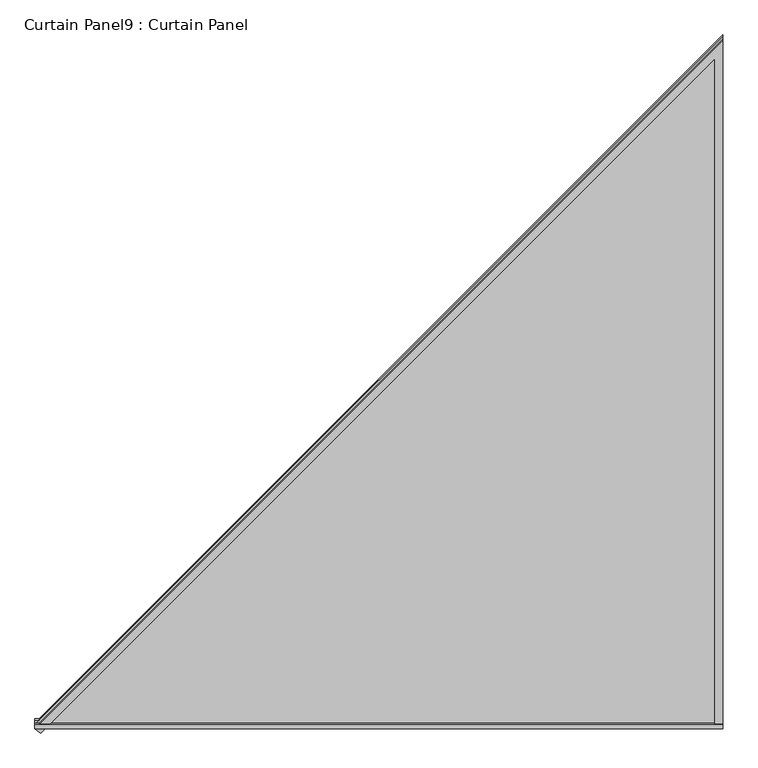
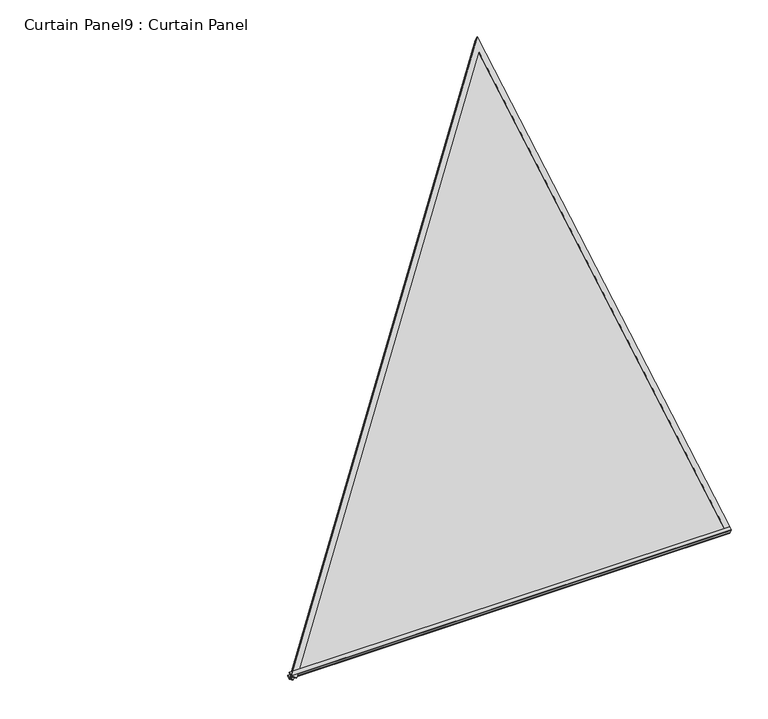
"""IFC4 building model written with IfcOpenShell, lengths in millimetres: plate geometry, Curtain Panel9 : Curtain Panel."""

from ifc_helpers import new_model, si_unit, frame, origin, place, context, project, spatial, polyline, outline, extrude, source, transform, mapped, element, save


def curtain_panel9_curtain_panel_bd7d32c7(model_context):
    return source(origin(), model_context, "Body", "SweptSolid", [
        extrude(outline(polyline([(-14387.6585322, 920.0557441), (-14397.2825586, 914.4997543), (-14399.3938069, 918.1568362), (-14389.7699072, 923.7127528), (-14387.6585322, 920.0557441)])), frame((1191.6772022, 0.0, 0.0), z_axis=(1.0, 0.0, 0.0), x_axis=(0.0, 1.0, 0.0)), (0.0, 0.0, 1.0), 1495.9758311),
        extrude(outline(polyline([(-14378.5309668, 904.2450447), (-14388.1549812, 898.6890618), (-14390.4756835, 902.7089576), (-14380.8518083, 908.2648601), (-14378.5309668, 904.2450447)])), frame((1191.6772022, 0.0, 0.0), z_axis=(1.0, 0.0, 0.0), x_axis=(0.0, 1.0, 0.0)), (0.0, 0.0, 1.0), 1495.9758311),
        extrude(outline(polyline([(0.0, -17.4752), (0.0, 0.0), (1680.5308906, 0.0), (-11.4402038, 1465.2899502), (0.0, 1478.4999598), (1727.4033224, -17.4752), (0.0, -17.4752)])), frame((2670.1778333, -14397.2822395, 914.4994941), z_axis=(0.0, -0.4999999999999987, 0.8660254037844394), x_axis=(0.0, 0.8660254037844394, 0.4999999999999987)), (0.0, 0.0, 1.0), 4.0243125),
        extrude(outline(polyline([(0.0, -11.1252), (0.0, 0.0), (1697.5630242, 0.0), (-7.283153, 1476.440099), (0.0, 1484.8499598), (1727.4033223, -11.1252), (0.0, -11.1252)])), frame((2676.5278333, -14388.0548957, 898.5172659), z_axis=(0.0, -0.4999999999999987, 0.8660254037844394), x_axis=(0.0, 0.8660254037844394, 0.4999999999999987)), (0.0, 0.0, 1.0), 4.8617187),
        extrude(outline(polyline([(12.7, 0.0), (1508.6758311, 0.0), (12.7, -1727.4040975), (12.7, 0.0)])), frame((2700.3530333, -14390.4864264, 902.7272502), z_axis=(0.0, -0.49999999999999867, 0.8660254037844395), x_axis=(-1.0, 0.0, 0.0)), (0.0, 0.0, 1.0), 13.5929687),
    ])


if __name__ == "__main__":
    model = new_model("IFC4")
    model_context = context("Model", 3, world=origin())
    ifc_project = project(units=[si_unit("LENGTHUNIT", "METRE", prefix="MILLI")], contexts=[model_context])
    site = spatial("IfcSite", under=ifc_project)
    building = spatial("IfcBuilding", under=site)
    placement = place(None, origin())
    curtain_panel9_curtain_panel_shape = curtain_panel9_curtain_panel_bd7d32c7(model_context)
    element("IfcPlate", 1, ObjectType="Curtain Panel9 : Curtain Panel", at=placement, inside=building, context=model_context, shape_type="MappedRepresentation", body=[
        mapped(curtain_panel9_curtain_panel_shape, transform((0.0, 0.0, 0.0), x_axis=(1.0, 0.0, 0.0), y_axis=(0.0, 1.0, 0.0), z_axis=(0.0, 0.0, 1.0))),
    ])
    save(model, "model.ifc")
